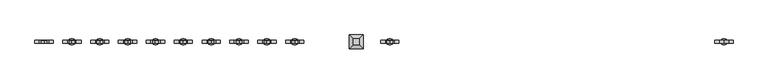
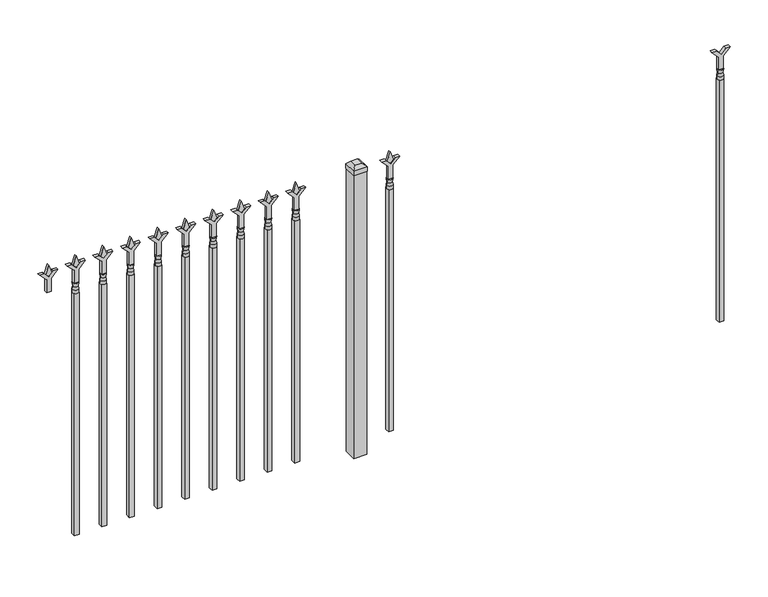
"""IFC4 building model written with IfcOpenShell, lengths in millimetres: railing geometry."""

import ifcopenshell
import ifcopenshell.guid

model = None  # the IFC model being written
_history = None  # IfcOwnerHistory: only IFC2X3 demands one
_inside = {}  # id of a spatial element -> (the spatial element, [elements in it])
_under = {}  # id of a project, library or spatial element -> (it, [spatial elements below it])
_declared = {}  # id of a project -> (the project, [libraries it declares])
_typed = {}  # id of a type object -> (the type object, [elements of that type])
_made_of = {}  # id of a material, layer set ... -> (it, [elements and type objects made of it])


def new_model(schema):
    """Start an empty IFC model of exactly this schema.

    Asked for "IFC4X3", IfcOpenShell would pick the latest addendum, in which some entities
    have other attributes; the version numbers below select the first issue.
    IFC2X3 requires an IfcOwnerHistory on every rooted entity: one is made here for all.
    """
    global model, _history
    if schema == "IFC4X3":
        model = ifcopenshell.file(schema_version=(4, 3, 0, 0))
    else:
        model = ifcopenshell.file(schema=schema)
    _inside.clear()
    _under.clear()
    _declared.clear()
    _typed.clear()
    _made_of.clear()
    _history = None
    if model.schema == "IFC2X3":
        org = make("IfcOrganization", Name="unknown")
        user = make(
            "IfcPersonAndOrganization",
            ThePerson=make("IfcPerson", FamilyName="unknown"),
            TheOrganization=org,
        )
        app = make(
            "IfcApplication",
            ApplicationDeveloper=org,
            Version="unknown",
            ApplicationFullName="unknown",
            ApplicationIdentifier="unknown",
        )
        _history = make(
            "IfcOwnerHistory",
            OwningUser=user,
            OwningApplication=app,
            ChangeAction="ADDED",
            CreationDate=0,
        )
    return model


def make(cls, **values):
    """One entity of the class cls with the attributes given. An attribute that is None is left unset."""
    return model.create_entity(
        cls, **{name: value for name, value in values.items() if value is not None}
    )


def rooted(cls, **values):
    """An entity with a GlobalId (a new one), such as an element, a storey or a relation."""
    return make(cls, GlobalId=ifcopenshell.guid.new(), OwnerHistory=_history, **values)


def si_unit(unit_type, name, prefix=None):
    """IfcSIUnit, for example si_unit("LENGTHUNIT", "METRE", prefix="MILLI")."""
    return make("IfcSIUnit", UnitType=unit_type, Prefix=prefix, Name=name)


def assignment(units):
    """IfcUnitAssignment: the units of a project."""
    return None if units is None else make("IfcUnitAssignment", Units=units)


def point(xyz):
    """IfcCartesianPoint."""
    return None if xyz is None else make("IfcCartesianPoint", Coordinates=xyz)


def direction(xyz):
    """IfcDirection."""
    return None if xyz is None else make("IfcDirection", DirectionRatios=xyz)


def frame(location, z_axis=None, x_axis=None):
    """IfcAxis2Placement3D, a coordinate frame: its origin and axes. An axis left out is left unset."""
    return make(
        "IfcAxis2Placement3D",
        Location=point(location),
        Axis=direction(z_axis),
        RefDirection=direction(x_axis),
    )


def origin():
    """The frame at (0, 0, 0) with its axes left unset."""
    return frame((0.0, 0.0, 0.0))


def origin_with_axes():
    """The frame at (0, 0, 0) with the z axis (0, 0, 1) and the x axis (1, 0, 0) written out."""
    return frame((0.0, 0.0, 0.0), z_axis=(0.0, 0.0, 1.0), x_axis=(1.0, 0.0, 0.0))


def place(relative_to, where):
    """IfcLocalPlacement: puts the frame where relative to a parent placement (None: the world)."""
    return make(
        "IfcLocalPlacement", PlacementRelTo=relative_to, RelativePlacement=where
    )


def context(
    kind, dimensions, precision=None, world=None, true_north=None, identifier=None
):
    """IfcGeometricRepresentationContext, for example the 3D "Model" context."""
    return make(
        "IfcGeometricRepresentationContext",
        ContextIdentifier=identifier,
        ContextType=kind,
        CoordinateSpaceDimension=dimensions,
        Precision=precision,
        WorldCoordinateSystem=world,
        TrueNorth=true_north,
    )


def project(units=None, contexts=None):
    """IfcProject with its units and contexts."""
    return rooted(
        "IfcProject",
        Name="project",
        RepresentationContexts=contexts,
        UnitsInContext=assignment(units),
    )


def spatial(cls, under=None, at=None, **own):
    """A site, building, storey or space (cls), placed at a placement, below another one or the project."""
    s = rooted(cls, ObjectPlacement=at, **own)
    if under is not None:
        _under.setdefault(under.id(), (under, []))[1].append(s)
    return s


def polyline(points):
    """IfcPolyline through the points."""
    return make("IfcPolyline", Points=[point(p) for p in points])


def circle_curve(where, radius):
    """IfcCircle in the frame where."""
    return make("IfcCircle", Position=where, Radius=radius)


def outline(outer, holes=None, kind="AREA"):
    """IfcArbitraryClosedProfileDef: a profile drawn as a closed curve; with holes, ...WithVoids."""
    if holes is None:
        return make("IfcArbitraryClosedProfileDef", ProfileType=kind, OuterCurve=outer)
    return make(
        "IfcArbitraryProfileDefWithVoids",
        ProfileType=kind,
        OuterCurve=outer,
        InnerCurves=holes,
    )


def extrude(swept, where, along, depth):
    """IfcExtrudedAreaSolid: the profile swept, set in the frame where, extruded along a direction by depth."""
    return make(
        "IfcExtrudedAreaSolid",
        SweptArea=swept,
        Position=where,
        ExtrudedDirection=direction(along),
        Depth=depth,
    )


def faces_of(points, faces, orient=None, outer=None):
    """IfcFace entities. A face is a list of loops; a loop is a list of indices into points, from 0.

    orient and outer hold one flag for each loop. By default every Orientation is true, the
    first loop of a face is its IfcFaceOuterBound and the others are IfcFaceBound.
    """
    made = []
    for i, loops in enumerate(faces):
        bounds = []
        for j, loop in enumerate(loops):
            is_outer = j == 0 if outer is None else outer[i][j]
            bounds.append(
                make(
                    "IfcFaceOuterBound" if is_outer else "IfcFaceBound",
                    Bound=make("IfcPolyLoop", Polygon=[points[k] for k in loop]),
                    Orientation=True if orient is None else orient[i][j],
                )
            )
        made.append(make("IfcFace", Bounds=bounds))
    return made


def faceted_brep(points, faces, orient=None, outer=None, voids=None):
    """IfcFacetedBrep: a solid bounded by flat faces; with voids (closed shells), ...WithVoids."""
    shared = [point(p) for p in points]
    hull = make("IfcClosedShell", CfsFaces=faces_of(shared, faces, orient, outer))
    if voids is None:
        return make("IfcFacetedBrep", Outer=hull)
    return make(
        "IfcFacetedBrepWithVoids",
        Outer=hull,
        Voids=[
            make(cls, CfsFaces=faces_of(shared, fs, o, b)) for cls, fs, o, b in voids
        ],
    )


def shape(context_of_items, identifier, shape_type, items):
    """IfcShapeRepresentation: the items that make up one representation, for example the "Body"."""
    return make(
        "IfcShapeRepresentation",
        ContextOfItems=context_of_items,
        RepresentationIdentifier=identifier,
        RepresentationType=shape_type,
        Items=items,
    )


def source(mapping_origin, context_of_items, identifier, shape_type, items):
    """IfcRepresentationMap: a shape defined once, which mapped items show again and again."""
    return make(
        "IfcRepresentationMap",
        MappingOrigin=mapping_origin,
        MappedRepresentation=shape(context_of_items, identifier, shape_type, items),
    )


def transform(
    local_origin,
    x_axis=None,
    y_axis=None,
    z_axis=None,
    scale=None,
    scale2=None,
    scale3=None,
    uniform=True,
):
    """IfcCartesianTransformationOperator3D, or its non-uniform kind. x_axis, y_axis, z_axis: its Axis1, 2, 3."""
    if uniform:
        return make(
            "IfcCartesianTransformationOperator3D",
            Axis1=direction(x_axis),
            Axis2=direction(y_axis),
            LocalOrigin=point(local_origin),
            Scale=scale,
            Axis3=direction(z_axis),
        )
    return make(
        "IfcCartesianTransformationOperator3DnonUniform",
        Axis1=direction(x_axis),
        Axis2=direction(y_axis),
        LocalOrigin=point(local_origin),
        Scale=scale,
        Axis3=direction(z_axis),
        Scale2=scale2,
        Scale3=scale3,
    )


def mapped(mapping_source, mapping_target):
    """IfcMappedItem: shows the shape of a source again, moved by a transform."""
    return make(
        "IfcMappedItem", MappingSource=mapping_source, MappingTarget=mapping_target
    )


def made_of(thing, what):
    """Note that an element or type object is made of a material, layer set ...; save() writes the relation."""
    if what is not None:
        _made_of.setdefault(what.id(), (what, []))[1].append(thing)
    return thing


def element(
    cls,
    number,
    at=None,
    inside=None,
    cuts=None,
    type_object=None,
    material=None,
    context=None,
    identifier="Body",
    shape_type=None,
    held_by="IfcProductDefinitionShape",
    body=None,
    shapes=None,
    **own,
):
    """One element of the class cls, such as IfcWall. Its Tag is "e" and its number.

    at: its placement. inside: the storey or other place that contains it. cuts: it is an
    opening in that element (IfcRelVoidsElement). A single representation is given by context,
    identifier, shape_type and body (its items); several are given by shapes. held_by: the class
    of the entity that holds the representations. save() writes the other relations.
    """
    e = rooted(cls, Tag="e%d" % number, ObjectPlacement=at, **own)
    if body is not None:
        shapes = [shape(context, identifier, shape_type, body)]
    if shapes is not None:
        e.Representation = make(held_by, Representations=shapes)
    if inside is not None:
        _inside.setdefault(inside.id(), (inside, []))[1].append(e)
    if cuts is not None:
        rooted(
            "IfcRelVoidsElement", RelatingBuildingElement=cuts, RelatedOpeningElement=e
        )
    if type_object is not None:
        _typed.setdefault(type_object.id(), (type_object, []))[1].append(e)
    return made_of(e, material)


def aggregate(whole, parts):
    """IfcRelAggregates: a whole, such as a stair, and the parts it consists of."""
    return rooted("IfcRelAggregates", RelatingObject=whole, RelatedObjects=parts)


def save(model, path):
    """Write the relations noted so far, then the file.

    IfcRelAggregates (storeys below a building ...), IfcRelContainedInSpatialStructure (elements
    in a storey), IfcRelDefinesByType, IfcRelAssociatesMaterial and IfcRelDeclares: one each for
    every whole, place, type object, material and project.
    """
    for whole, parts in _under.values():
        aggregate(whole, parts)
    for where, things in _inside.values():
        rooted(
            "IfcRelContainedInSpatialStructure",
            RelatedElements=things,
            RelatingStructure=where,
        )
    for kind, things in _typed.values():
        rooted("IfcRelDefinesByType", RelatedObjects=things, RelatingType=kind)
    for what, things in _made_of.values():
        rooted("IfcRelAssociatesMaterial", RelatedObjects=things, RelatingMaterial=what)
    for by, libraries in _declared.values():
        rooted("IfcRelDeclares", RelatingContext=by, RelatedDefinitions=libraries)
    model.write(path)


def plane_surface(at):
    """IfcPlane: the flat surface through the origin of the frame at, square to its z axis."""
    return make("IfcPlane", Position=at)


def cylinder_surface(at, radius):
    """IfcCylindricalSurface: all points at the distance radius from the z axis of the frame at."""
    return make("IfcCylindricalSurface", Position=at, Radius=radius)


def revolved_surface(curve, axis_point, axis_direction):
    """IfcSurfaceOfRevolution: the curve turned about the line through axis_point along axis_direction."""
    return make(
        "IfcSurfaceOfRevolution",
        SweptCurve=make("IfcArbitraryOpenProfileDef", ProfileType="CURVE", Curve=curve),
        AxisPosition=make("IfcAxis1Placement", Location=point(axis_point), Axis=direction(axis_direction)),
    )


def advanced_brep(points, edges, surfaces, faces):
    """IfcAdvancedBrep: a solid bounded by faces that lie on surfaces and meet in shared edges.

    An edge is (start, end): straight between two places in points (the first is 0);
    or (start, end, curve); or (start, end, curve, False) where it runs against its curve.
    A face is (place in surfaces, loops), or (place, loops, False) where it looks against
    its surface's normal. A loop lists edges by number (the first is 1), with a minus sign
    where the edge is run from its end to its start. The first loop is the outer one.
    """
    corners = [point(p) for p in points]
    vertices = [make("IfcVertexPoint", VertexGeometry=c) for c in corners]
    made = []
    for start, end, *more in edges:
        made.append(
            make(
                "IfcEdgeCurve",
                EdgeStart=vertices[start],
                EdgeEnd=vertices[end],
                EdgeGeometry=more[0] if more else make("IfcPolyline", Points=[corners[start], corners[end]]),
                SameSense=more[1] if len(more) > 1 else True,
            )
        )
    hull = []
    for where, loops, *sense in faces:
        bounds = []
        for j, loop in enumerate(loops):
            ring = [make("IfcOrientedEdge", EdgeElement=made[abs(k) - 1], Orientation=k > 0) for k in loop]
            bounds.append(
                make(
                    "IfcFaceOuterBound" if j == 0 else "IfcFaceBound",
                    Bound=make("IfcEdgeLoop", EdgeList=ring),
                    Orientation=True,
                )
            )
        hull.append(make("IfcAdvancedFace", Bounds=bounds, FaceSurface=surfaces[where], SameSense=sense[0] if sense else True))
    return make("IfcAdvancedBrep", Outer=make("IfcClosedShell", CfsFaces=hull))


def railing_e918dfe1(model_context):
    return source(origin(), model_context, "Body", "SolidModel", [
        extrude(outline(polyline([(1108.075, -76606.749337), (1162.3457378, -76606.749337), (1189.5355122, -76579.5595625), (1189.5355122, -76597.5200747), (1171.575, -76615.480587), (1189.5355122, -76633.4410992), (1189.5355122, -76651.4016114), (1162.3457378, -76624.211837), (1108.075, -76624.211837), (1108.075, -76606.749337)])), frame((0.0, -9176.0070174, 0.0), z_axis=(0.0, 1.0, 0.0), x_axis=(0.0, 0.0, 1.0)), (0.0, 0.0, 1.0), 12.7),
        advanced_brep(
        [(-76603.574337, -9169.6570174, 1079.5), (-76627.386837, -9169.6570174, 1079.5), (-76627.386837, -9169.6570174, 1066.8), (-76603.574337, -9169.6570174, 1066.8), (-76605.7796688, -9169.6570174, 1092.0070585), (-76625.1815051, -9169.6570174, 1092.0070585), (-76603.574337, -9169.6570174, 1108.075), (-76627.386837, -9169.6570174, 1108.075), (-76615.480587, -9169.6570174, 1108.075), (-76615.480587, -9169.6570174, 1066.8)],
        [
            (0, 1, circle_curve(frame((-76615.480587, -9169.6570174, 1079.5), z_axis=(0.0, 0.0, -1.0), x_axis=(-1.0, 0.0, 0.0)), 11.90625)),
            (1, 2),
            (2, 3, circle_curve(frame((-76615.480587, -9169.6570174, 1066.8), z_axis=(0.0, 0.0, 1.0), x_axis=(-1.0, 0.0, 0.0)), 11.90625)),
            (3, 0),
            (1, 0, circle_curve(frame((-76615.480587, -9169.6570174, 1079.5), z_axis=(0.0, 0.0, -1.0), x_axis=(-1.0, 0.0, 0.0)), 11.90625)),
            (3, 2, circle_curve(frame((-76615.480587, -9169.6570174, 1066.8), z_axis=(0.0, 0.0, 1.0), x_axis=(-1.0, 0.0, 0.0)), 11.90625)),
            (4, 5, circle_curve(frame((-76615.480587, -9169.6570174, 1092.0070585), z_axis=(0.0, 0.0, -1.0), x_axis=(-1.0, 0.0, 0.0)), 9.7009181)),
            (5, 1),
            (0, 4),
            (5, 4, circle_curve(frame((-76615.480587, -9169.6570174, 1092.0070585), z_axis=(0.0, 0.0, -1.0), x_axis=(-1.0, 0.0, 0.0)), 9.7009181)),
            (6, 7, circle_curve(frame((-76615.480587, -9169.6570174, 1108.075), z_axis=(0.0, 0.0, -1.0), x_axis=(-1.0, 0.0, 0.0)), 11.90625)),
            (7, 5),
            (4, 6),
            (7, 6, circle_curve(frame((-76615.480587, -9169.6570174, 1108.075), z_axis=(0.0, 0.0, -1.0), x_axis=(-1.0, 0.0, 0.0)), 11.90625)),
            (8, 7),
            (6, 8),
            (2, 9),
            (9, 3),
        ],
        [
            cylinder_surface(frame((-76615.480587, -9169.6570174, 1066.8), z_axis=(0.0, 0.0, 1.0), x_axis=(-1.0, 0.0, 0.0)), 11.90625),
            revolved_surface(polyline([(-76627.386837, -9169.6570174, 1079.5), (-76625.1815051, -9169.6570174, 1092.0070585)]), (-76615.480587, -9169.6570174, 1066.8), (0.0, 0.0, 1.0)),
            revolved_surface(polyline([(-76625.1815051, -9169.6570174, 1092.0070585), (-76627.386837, -9169.6570174, 1108.075)]), (-76615.480587, -9169.6570174, 1066.8), (0.0, 0.0, 1.0)),
            plane_surface(frame((-76615.480587, -9169.6570174, 1108.075), z_axis=(0.0, 0.0, 1.0), x_axis=(-1.0, 0.0, 0.0))),
            plane_surface(frame((-76615.480587, -9169.6570174, 1066.8), z_axis=(0.0, 0.0, -1.0), x_axis=(-1.0, 0.0, 0.0))),
        ],
        [
            (0, [[1, 2, 3, 4]]),
            (0, [[5, -4, 6, -2]]),
            (1, [[7, 8, -1, 9]]),
            (1, [[10, -9, -5, -8]]),
            (2, [[11, 12, -7, 13]]),
            (2, [[14, -13, -10, -12]]),
            (3, [[15, -11, 16]]),
            (3, [[-16, -14, -15]]),
            (4, [[-3, 17, 18]]),
            (4, [[-6, -18, -17]]),
        ],
    ),
        extrude(outline(polyline([(-76625.005587, -9160.1320174), (-76605.955587, -9160.1320174), (-76605.955587, -9179.1820174), (-76625.005587, -9179.1820174), (-76625.005587, -9160.1320174)])), frame((0.0, 0.0, 50.8), z_axis=(0.0, 0.0, 1.0), x_axis=(1.0, 0.0, 0.0)), (0.0, 0.0, 1.0), 1016.0),
        extrude(outline(polyline([(1183.48125, -77914.849337), (1219.2, -77926.755587), (1183.48125, -77938.661837), (1171.575, -77926.755587), (1183.48125, -77914.849337)])), frame((0.0, -9174.4195174, 0.0), z_axis=(0.0, 1.0, 0.0), x_axis=(0.0, 0.0, 1.0)), (0.0, 0.0, 1.0), 9.525),
        extrude(outline(polyline([(1108.075, -77918.024337), (1162.3457378, -77918.024337), (1189.5355122, -77890.8345625), (1189.5355122, -77908.7950747), (1171.575, -77926.755587), (1189.5355122, -77944.7160992), (1189.5355122, -77962.6766114), (1162.3457378, -77935.486837), (1108.075, -77935.486837), (1108.075, -77918.024337)])), frame((0.0, -9176.0070174, 0.0), z_axis=(0.0, 1.0, 0.0), x_axis=(0.0, 0.0, 1.0)), (0.0, 0.0, 1.0), 12.7),
        advanced_brep(
        [(-77914.849337, -9169.6570174, 1079.5), (-77938.661837, -9169.6570174, 1079.5), (-77938.661837, -9169.6570174, 1066.8), (-77914.849337, -9169.6570174, 1066.8), (-77917.0546688, -9169.6570174, 1092.0070585), (-77936.4565051, -9169.6570174, 1092.0070585), (-77914.849337, -9169.6570174, 1108.075), (-77938.661837, -9169.6570174, 1108.075), (-77926.755587, -9169.6570174, 1108.075), (-77926.755587, -9169.6570174, 1066.8)],
        [
            (0, 1, circle_curve(frame((-77926.755587, -9169.6570174, 1079.5), z_axis=(0.0, 0.0, -1.0), x_axis=(-1.0, 0.0, 0.0)), 11.90625)),
            (1, 2),
            (2, 3, circle_curve(frame((-77926.755587, -9169.6570174, 1066.8), z_axis=(0.0, 0.0, 1.0), x_axis=(-1.0, 0.0, 0.0)), 11.90625)),
            (3, 0),
            (1, 0, circle_curve(frame((-77926.755587, -9169.6570174, 1079.5), z_axis=(0.0, 0.0, -1.0), x_axis=(-1.0, 0.0, 0.0)), 11.90625)),
            (3, 2, circle_curve(frame((-77926.755587, -9169.6570174, 1066.8), z_axis=(0.0, 0.0, 1.0), x_axis=(-1.0, 0.0, 0.0)), 11.90625)),
            (4, 5, circle_curve(frame((-77926.755587, -9169.6570174, 1092.0070585), z_axis=(0.0, 0.0, -1.0), x_axis=(-1.0, 0.0, 0.0)), 9.7009181)),
            (5, 1),
            (0, 4),
            (5, 4, circle_curve(frame((-77926.755587, -9169.6570174, 1092.0070585), z_axis=(0.0, 0.0, -1.0), x_axis=(-1.0, 0.0, 0.0)), 9.7009181)),
            (6, 7, circle_curve(frame((-77926.755587, -9169.6570174, 1108.075), z_axis=(0.0, 0.0, -1.0), x_axis=(-1.0, 0.0, 0.0)), 11.90625)),
            (7, 5),
            (4, 6),
            (7, 6, circle_curve(frame((-77926.755587, -9169.6570174, 1108.075), z_axis=(0.0, 0.0, -1.0), x_axis=(-1.0, 0.0, 0.0)), 11.90625)),
            (8, 7),
            (6, 8),
            (2, 9),
            (9, 3),
        ],
        [
            cylinder_surface(frame((-77926.755587, -9169.6570174, 1066.8), z_axis=(0.0, 0.0, 1.0), x_axis=(-1.0, 0.0, 0.0)), 11.90625),
            revolved_surface(polyline([(-77938.661837, -9169.6570174, 1079.5), (-77936.4565051, -9169.6570174, 1092.0070585)]), (-77926.755587, -9169.6570174, 1066.8), (0.0, 0.0, 1.0)),
            revolved_surface(polyline([(-77936.4565051, -9169.6570174, 1092.0070585), (-77938.661837, -9169.6570174, 1108.075)]), (-77926.755587, -9169.6570174, 1066.8), (0.0, 0.0, 1.0)),
            plane_surface(frame((-77926.755587, -9169.6570174, 1108.075), z_axis=(0.0, 0.0, 1.0), x_axis=(-1.0, 0.0, 0.0))),
            plane_surface(frame((-77926.755587, -9169.6570174, 1066.8), z_axis=(0.0, 0.0, -1.0), x_axis=(-1.0, 0.0, 0.0))),
        ],
        [
            (0, [[1, 2, 3, 4]]),
            (0, [[5, -4, 6, -2]]),
            (1, [[7, 8, -1, 9]]),
            (1, [[10, -9, -5, -8]]),
            (2, [[11, 12, -7, 13]]),
            (2, [[14, -13, -10, -12]]),
            (3, [[15, -11, 16]]),
            (3, [[-16, -14, -15]]),
            (4, [[-3, 17, 18]]),
            (4, [[-6, -18, -17]]),
        ],
    ),
        extrude(outline(polyline([(-77936.280587, -9160.1320174), (-77917.230587, -9160.1320174), (-77917.230587, -9179.1820174), (-77936.280587, -9179.1820174), (-77936.280587, -9160.1320174)])), frame((0.0, 0.0, 50.8), z_axis=(0.0, 0.0, 1.0), x_axis=(1.0, 0.0, 0.0)), (0.0, 0.0, 1.0), 1016.0),
        extrude(outline(polyline([(-78033.118087, -9144.2570174), (-78033.118087, -9195.0570174), (-78083.918087, -9195.0570174), (-78083.918087, -9144.2570174), (-78033.118087, -9144.2570174)])), origin_with_axes(), (0.0, 0.0, 1.0), 1187.45),
        faceted_brep([(-78085.505587, -9142.6695174, 1206.5), (-78085.505587, -9142.6695174, 1187.45), (-78085.505587, -9196.6445174, 1187.45), (-78085.505587, -9196.6445174, 1206.5), (-78072.805587, -9155.3695174, 1219.2), (-78072.805587, -9183.9445174, 1219.2), (-78031.530587, -9196.6445174, 1187.45), (-78031.530587, -9196.6445174, 1206.5), (-78044.230587, -9183.9445174, 1219.2), (-78031.530587, -9142.6695174, 1187.45), (-78031.530587, -9142.6695174, 1206.5), (-78044.230587, -9155.3695174, 1219.2)], [[[0, 1, 2, 3]], [[4, 0, 3, 5]], [[3, 2, 6, 7]], [[5, 3, 7, 8]], [[7, 6, 9, 10]], [[8, 7, 10, 11]], [[10, 9, 1, 0]], [[11, 10, 0, 4]], [[5, 8, 11, 4]], [[1, 9, 6, 2]]]),
        extrude(outline(polyline([(1183.48125, -78287.6472536), (1219.2, -78299.5535036), (1183.48125, -78311.4597536), (1171.575, -78299.5535036), (1183.48125, -78287.6472536)])), frame((0.0, -9174.4195174, 0.0), z_axis=(0.0, 1.0, 0.0), x_axis=(0.0, 0.0, 1.0)), (0.0, 0.0, 1.0), 9.525),
        extrude(outline(polyline([(1108.075, -78290.8222536), (1162.3457378, -78290.8222536), (1189.5355122, -78263.6324791), (1189.5355122, -78281.5929914), (1171.575, -78299.5535036), (1189.5355122, -78317.5140159), (1189.5355122, -78335.4745281), (1162.3457378, -78308.2847536), (1108.075, -78308.2847536), (1108.075, -78290.8222536)])), frame((0.0, -9176.0070174, 0.0), z_axis=(0.0, 1.0, 0.0), x_axis=(0.0, 0.0, 1.0)), (0.0, 0.0, 1.0), 12.7),
        advanced_brep(
        [(-78287.6472536, -9169.6570174, 1079.5), (-78311.4597536, -9169.6570174, 1079.5), (-78311.4597536, -9169.6570174, 1066.8), (-78287.6472536, -9169.6570174, 1066.8), (-78289.8525855, -9169.6570174, 1092.0070585), (-78309.2544218, -9169.6570174, 1092.0070585), (-78287.6472536, -9169.6570174, 1108.075), (-78311.4597536, -9169.6570174, 1108.075), (-78299.5535036, -9169.6570174, 1108.075), (-78299.5535036, -9169.6570174, 1066.8)],
        [
            (0, 1, circle_curve(frame((-78299.5535036, -9169.6570174, 1079.5), z_axis=(0.0, 0.0, -1.0), x_axis=(-1.0, 0.0, 0.0)), 11.90625)),
            (1, 2),
            (2, 3, circle_curve(frame((-78299.5535036, -9169.6570174, 1066.8), z_axis=(0.0, 0.0, 1.0), x_axis=(-1.0, 0.0, 0.0)), 11.90625)),
            (3, 0),
            (1, 0, circle_curve(frame((-78299.5535036, -9169.6570174, 1079.5), z_axis=(0.0, 0.0, -1.0), x_axis=(-1.0, 0.0, 0.0)), 11.90625)),
            (3, 2, circle_curve(frame((-78299.5535036, -9169.6570174, 1066.8), z_axis=(0.0, 0.0, 1.0), x_axis=(-1.0, 0.0, 0.0)), 11.90625)),
            (4, 5, circle_curve(frame((-78299.5535036, -9169.6570174, 1092.0070585), z_axis=(0.0, 0.0, -1.0), x_axis=(-1.0, 0.0, 0.0)), 9.7009181)),
            (5, 1),
            (0, 4),
            (5, 4, circle_curve(frame((-78299.5535036, -9169.6570174, 1092.0070585), z_axis=(0.0, 0.0, -1.0), x_axis=(-1.0, 0.0, 0.0)), 9.7009181)),
            (6, 7, circle_curve(frame((-78299.5535036, -9169.6570174, 1108.075), z_axis=(0.0, 0.0, -1.0), x_axis=(-1.0, 0.0, 0.0)), 11.90625)),
            (7, 5),
            (4, 6),
            (7, 6, circle_curve(frame((-78299.5535036, -9169.6570174, 1108.075), z_axis=(0.0, 0.0, -1.0), x_axis=(-1.0, 0.0, 0.0)), 11.90625)),
            (8, 7),
            (6, 8),
            (2, 9),
            (9, 3),
        ],
        [
            cylinder_surface(frame((-78299.5535036, -9169.6570174, 1066.8), z_axis=(0.0, 0.0, 1.0), x_axis=(-1.0, 0.0, 0.0)), 11.90625),
            revolved_surface(polyline([(-78311.4597536, -9169.6570174, 1079.5), (-78309.2544218, -9169.6570174, 1092.0070585)]), (-78299.5535036, -9169.6570174, 1066.8), (0.0, 0.0, 1.0)),
            revolved_surface(polyline([(-78309.2544218, -9169.6570174, 1092.0070585), (-78311.4597536, -9169.6570174, 1108.075)]), (-78299.5535036, -9169.6570174, 1066.8), (0.0, 0.0, 1.0)),
            plane_surface(frame((-78299.5535036, -9169.6570174, 1108.075), z_axis=(0.0, 0.0, 1.0), x_axis=(-1.0, 0.0, 0.0))),
            plane_surface(frame((-78299.5535036, -9169.6570174, 1066.8), z_axis=(0.0, 0.0, -1.0), x_axis=(-1.0, 0.0, 0.0))),
        ],
        [
            (0, [[1, 2, 3, 4]]),
            (0, [[5, -4, 6, -2]]),
            (1, [[7, 8, -1, 9]]),
            (1, [[10, -9, -5, -8]]),
            (2, [[11, 12, -7, 13]]),
            (2, [[14, -13, -10, -12]]),
            (3, [[15, -11, 16]]),
            (3, [[-16, -14, -15]]),
            (4, [[-3, 17, 18]]),
            (4, [[-6, -18, -17]]),
        ],
    ),
        extrude(outline(polyline([(-78309.0785036, -9160.1320174), (-78290.0285036, -9160.1320174), (-78290.0285036, -9179.1820174), (-78309.0785036, -9179.1820174), (-78309.0785036, -9160.1320174)])), frame((0.0, 0.0, 50.8), z_axis=(0.0, 0.0, 1.0), x_axis=(1.0, 0.0, 0.0)), (0.0, 0.0, 1.0), 1016.0),
        extrude(outline(polyline([(1183.48125, -78396.9201703), (1219.2, -78408.8264203), (1183.48125, -78420.7326703), (1171.575, -78408.8264203), (1183.48125, -78396.9201703)])), frame((0.0, -9174.4195174, 0.0), z_axis=(0.0, 1.0, 0.0), x_axis=(0.0, 0.0, 1.0)), (0.0, 0.0, 1.0), 9.525),
        extrude(outline(polyline([(1108.075, -78400.0951703), (1162.3457378, -78400.0951703), (1189.5355122, -78372.9053958), (1189.5355122, -78390.8659081), (1171.575, -78408.8264203), (1189.5355122, -78426.7869325), (1189.5355122, -78444.7474448), (1162.3457378, -78417.5576703), (1108.075, -78417.5576703), (1108.075, -78400.0951703)])), frame((0.0, -9176.0070174, 0.0), z_axis=(0.0, 1.0, 0.0), x_axis=(0.0, 0.0, 1.0)), (0.0, 0.0, 1.0), 12.7),
        advanced_brep(
        [(-78396.9201703, -9169.6570174, 1079.5), (-78420.7326703, -9169.6570174, 1079.5), (-78420.7326703, -9169.6570174, 1066.8), (-78396.9201703, -9169.6570174, 1066.8), (-78399.1255022, -9169.6570174, 1092.0070585), (-78418.5273384, -9169.6570174, 1092.0070585), (-78396.9201703, -9169.6570174, 1108.075), (-78420.7326703, -9169.6570174, 1108.075), (-78408.8264203, -9169.6570174, 1108.075), (-78408.8264203, -9169.6570174, 1066.8)],
        [
            (0, 1, circle_curve(frame((-78408.8264203, -9169.6570174, 1079.5), z_axis=(0.0, 0.0, -1.0), x_axis=(-1.0, 0.0, 0.0)), 11.90625)),
            (1, 2),
            (2, 3, circle_curve(frame((-78408.8264203, -9169.6570174, 1066.8), z_axis=(0.0, 0.0, 1.0), x_axis=(-1.0, 0.0, 0.0)), 11.90625)),
            (3, 0),
            (1, 0, circle_curve(frame((-78408.8264203, -9169.6570174, 1079.5), z_axis=(0.0, 0.0, -1.0), x_axis=(-1.0, 0.0, 0.0)), 11.90625)),
            (3, 2, circle_curve(frame((-78408.8264203, -9169.6570174, 1066.8), z_axis=(0.0, 0.0, 1.0), x_axis=(-1.0, 0.0, 0.0)), 11.90625)),
            (4, 5, circle_curve(frame((-78408.8264203, -9169.6570174, 1092.0070585), z_axis=(0.0, 0.0, -1.0), x_axis=(-1.0, 0.0, 0.0)), 9.7009181)),
            (5, 1),
            (0, 4),
            (5, 4, circle_curve(frame((-78408.8264203, -9169.6570174, 1092.0070585), z_axis=(0.0, 0.0, -1.0), x_axis=(-1.0, 0.0, 0.0)), 9.7009181)),
            (6, 7, circle_curve(frame((-78408.8264203, -9169.6570174, 1108.075), z_axis=(0.0, 0.0, -1.0), x_axis=(-1.0, 0.0, 0.0)), 11.90625)),
            (7, 5),
            (4, 6),
            (7, 6, circle_curve(frame((-78408.8264203, -9169.6570174, 1108.075), z_axis=(0.0, 0.0, -1.0), x_axis=(-1.0, 0.0, 0.0)), 11.90625)),
            (8, 7),
            (6, 8),
            (2, 9),
            (9, 3),
        ],
        [
            cylinder_surface(frame((-78408.8264203, -9169.6570174, 1066.8), z_axis=(0.0, 0.0, 1.0), x_axis=(-1.0, 0.0, 0.0)), 11.90625),
            revolved_surface(polyline([(-78420.7326703, -9169.6570174, 1079.5), (-78418.5273384, -9169.6570174, 1092.0070585)]), (-78408.8264203, -9169.6570174, 1066.8), (0.0, 0.0, 1.0)),
            revolved_surface(polyline([(-78418.5273384, -9169.6570174, 1092.0070585), (-78420.7326703, -9169.6570174, 1108.075)]), (-78408.8264203, -9169.6570174, 1066.8), (0.0, 0.0, 1.0)),
            plane_surface(frame((-78408.8264203, -9169.6570174, 1108.075), z_axis=(0.0, 0.0, 1.0), x_axis=(-1.0, 0.0, 0.0))),
            plane_surface(frame((-78408.8264203, -9169.6570174, 1066.8), z_axis=(0.0, 0.0, -1.0), x_axis=(-1.0, 0.0, 0.0))),
        ],
        [
            (0, [[1, 2, 3, 4]]),
            (0, [[5, -4, 6, -2]]),
            (1, [[7, 8, -1, 9]]),
            (1, [[10, -9, -5, -8]]),
            (2, [[11, 12, -7, 13]]),
            (2, [[14, -13, -10, -12]]),
            (3, [[15, -11, 16]]),
            (3, [[-16, -14, -15]]),
            (4, [[-3, 17, 18]]),
            (4, [[-6, -18, -17]]),
        ],
    ),
        extrude(outline(polyline([(-78418.3514203, -9160.1320174), (-78399.3014203, -9160.1320174), (-78399.3014203, -9179.1820174), (-78418.3514203, -9179.1820174), (-78418.3514203, -9160.1320174)])), frame((0.0, 0.0, 50.8), z_axis=(0.0, 0.0, 1.0), x_axis=(1.0, 0.0, 0.0)), (0.0, 0.0, 1.0), 1016.0),
        extrude(outline(polyline([(1183.48125, -78506.193087), (1219.2, -78518.099337), (1183.48125, -78530.005587), (1171.575, -78518.099337), (1183.48125, -78506.193087)])), frame((0.0, -9174.4195174, 0.0), z_axis=(0.0, 1.0, 0.0), x_axis=(0.0, 0.0, 1.0)), (0.0, 0.0, 1.0), 9.525),
        extrude(outline(polyline([(1108.075, -78509.368087), (1162.3457378, -78509.368087), (1189.5355122, -78482.1783125), (1189.5355122, -78500.1388247), (1171.575, -78518.099337), (1189.5355122, -78536.0598492), (1189.5355122, -78554.0203614), (1162.3457378, -78526.830587), (1108.075, -78526.830587), (1108.075, -78509.368087)])), frame((0.0, -9176.0070174, 0.0), z_axis=(0.0, 1.0, 0.0), x_axis=(0.0, 0.0, 1.0)), (0.0, 0.0, 1.0), 12.7),
        advanced_brep(
        [(-78506.193087, -9169.6570174, 1079.5), (-78530.005587, -9169.6570174, 1079.5), (-78530.005587, -9169.6570174, 1066.8), (-78506.193087, -9169.6570174, 1066.8), (-78508.3984188, -9169.6570174, 1092.0070585), (-78527.8002551, -9169.6570174, 1092.0070585), (-78506.193087, -9169.6570174, 1108.075), (-78530.005587, -9169.6570174, 1108.075), (-78518.099337, -9169.6570174, 1108.075), (-78518.099337, -9169.6570174, 1066.8)],
        [
            (0, 1, circle_curve(frame((-78518.099337, -9169.6570174, 1079.5), z_axis=(0.0, 0.0, -1.0), x_axis=(-1.0, 0.0, 0.0)), 11.90625)),
            (1, 2),
            (2, 3, circle_curve(frame((-78518.099337, -9169.6570174, 1066.8), z_axis=(0.0, 0.0, 1.0), x_axis=(-1.0, 0.0, 0.0)), 11.90625)),
            (3, 0),
            (1, 0, circle_curve(frame((-78518.099337, -9169.6570174, 1079.5), z_axis=(0.0, 0.0, -1.0), x_axis=(-1.0, 0.0, 0.0)), 11.90625)),
            (3, 2, circle_curve(frame((-78518.099337, -9169.6570174, 1066.8), z_axis=(0.0, 0.0, 1.0), x_axis=(-1.0, 0.0, 0.0)), 11.90625)),
            (4, 5, circle_curve(frame((-78518.099337, -9169.6570174, 1092.0070585), z_axis=(0.0, 0.0, -1.0), x_axis=(-1.0, 0.0, 0.0)), 9.7009181)),
            (5, 1),
            (0, 4),
            (5, 4, circle_curve(frame((-78518.099337, -9169.6570174, 1092.0070585), z_axis=(0.0, 0.0, -1.0), x_axis=(-1.0, 0.0, 0.0)), 9.7009181)),
            (6, 7, circle_curve(frame((-78518.099337, -9169.6570174, 1108.075), z_axis=(0.0, 0.0, -1.0), x_axis=(-1.0, 0.0, 0.0)), 11.90625)),
            (7, 5),
            (4, 6),
            (7, 6, circle_curve(frame((-78518.099337, -9169.6570174, 1108.075), z_axis=(0.0, 0.0, -1.0), x_axis=(-1.0, 0.0, 0.0)), 11.90625)),
            (8, 7),
            (6, 8),
            (2, 9),
            (9, 3),
        ],
        [
            cylinder_surface(frame((-78518.099337, -9169.6570174, 1066.8), z_axis=(0.0, 0.0, 1.0), x_axis=(-1.0, 0.0, 0.0)), 11.90625),
            revolved_surface(polyline([(-78530.005587, -9169.6570174, 1079.5), (-78527.8002551, -9169.6570174, 1092.0070585)]), (-78518.099337, -9169.6570174, 1066.8), (0.0, 0.0, 1.0)),
            revolved_surface(polyline([(-78527.8002551, -9169.6570174, 1092.0070585), (-78530.005587, -9169.6570174, 1108.075)]), (-78518.099337, -9169.6570174, 1066.8), (0.0, 0.0, 1.0)),
            plane_surface(frame((-78518.099337, -9169.6570174, 1108.075), z_axis=(0.0, 0.0, 1.0), x_axis=(-1.0, 0.0, 0.0))),
            plane_surface(frame((-78518.099337, -9169.6570174, 1066.8), z_axis=(0.0, 0.0, -1.0), x_axis=(-1.0, 0.0, 0.0))),
        ],
        [
            (0, [[1, 2, 3, 4]]),
            (0, [[5, -4, 6, -2]]),
            (1, [[7, 8, -1, 9]]),
            (1, [[10, -9, -5, -8]]),
            (2, [[11, 12, -7, 13]]),
            (2, [[14, -13, -10, -12]]),
            (3, [[15, -11, 16]]),
            (3, [[-16, -14, -15]]),
            (4, [[-3, 17, 18]]),
            (4, [[-6, -18, -17]]),
        ],
    ),
        extrude(outline(polyline([(-78527.624337, -9160.1320174), (-78508.574337, -9160.1320174), (-78508.574337, -9179.1820174), (-78527.624337, -9179.1820174), (-78527.624337, -9160.1320174)])), frame((0.0, 0.0, 50.8), z_axis=(0.0, 0.0, 1.0), x_axis=(1.0, 0.0, 0.0)), (0.0, 0.0, 1.0), 1016.0),
        extrude(outline(polyline([(1183.48125, -78615.4660036), (1219.2, -78627.3722536), (1183.48125, -78639.2785036), (1171.575, -78627.3722536), (1183.48125, -78615.4660036)])), frame((0.0, -9174.4195174, 0.0), z_axis=(0.0, 1.0, 0.0), x_axis=(0.0, 0.0, 1.0)), (0.0, 0.0, 1.0), 9.525),
        extrude(outline(polyline([(1108.075, -78618.6410036), (1162.3457378, -78618.6410036), (1189.5355122, -78591.4512291), (1189.5355122, -78609.4117414), (1171.575, -78627.3722536), (1189.5355122, -78645.3327659), (1189.5355122, -78663.2932781), (1162.3457378, -78636.1035036), (1108.075, -78636.1035036), (1108.075, -78618.6410036)])), frame((0.0, -9176.0070174, 0.0), z_axis=(0.0, 1.0, 0.0), x_axis=(0.0, 0.0, 1.0)), (0.0, 0.0, 1.0), 12.7),
        advanced_brep(
        [(-78615.4660036, -9169.6570174, 1079.5), (-78639.2785036, -9169.6570174, 1079.5), (-78639.2785036, -9169.6570174, 1066.8), (-78615.4660036, -9169.6570174, 1066.8), (-78617.6713355, -9169.6570174, 1092.0070585), (-78637.0731718, -9169.6570174, 1092.0070585), (-78615.4660036, -9169.6570174, 1108.075), (-78639.2785036, -9169.6570174, 1108.075), (-78627.3722536, -9169.6570174, 1108.075), (-78627.3722536, -9169.6570174, 1066.8)],
        [
            (0, 1, circle_curve(frame((-78627.3722536, -9169.6570174, 1079.5), z_axis=(0.0, 0.0, -1.0), x_axis=(-1.0, 0.0, 0.0)), 11.90625)),
            (1, 2),
            (2, 3, circle_curve(frame((-78627.3722536, -9169.6570174, 1066.8), z_axis=(0.0, 0.0, 1.0), x_axis=(-1.0, 0.0, 0.0)), 11.90625)),
            (3, 0),
            (1, 0, circle_curve(frame((-78627.3722536, -9169.6570174, 1079.5), z_axis=(0.0, 0.0, -1.0), x_axis=(-1.0, 0.0, 0.0)), 11.90625)),
            (3, 2, circle_curve(frame((-78627.3722536, -9169.6570174, 1066.8), z_axis=(0.0, 0.0, 1.0), x_axis=(-1.0, 0.0, 0.0)), 11.90625)),
            (4, 5, circle_curve(frame((-78627.3722536, -9169.6570174, 1092.0070585), z_axis=(0.0, 0.0, -1.0), x_axis=(-1.0, 0.0, 0.0)), 9.7009181)),
            (5, 1),
            (0, 4),
            (5, 4, circle_curve(frame((-78627.3722536, -9169.6570174, 1092.0070585), z_axis=(0.0, 0.0, -1.0), x_axis=(-1.0, 0.0, 0.0)), 9.7009181)),
            (6, 7, circle_curve(frame((-78627.3722536, -9169.6570174, 1108.075), z_axis=(0.0, 0.0, -1.0), x_axis=(-1.0, 0.0, 0.0)), 11.90625)),
            (7, 5),
            (4, 6),
            (7, 6, circle_curve(frame((-78627.3722536, -9169.6570174, 1108.075), z_axis=(0.0, 0.0, -1.0), x_axis=(-1.0, 0.0, 0.0)), 11.90625)),
            (8, 7),
            (6, 8),
            (2, 9),
            (9, 3),
        ],
        [
            cylinder_surface(frame((-78627.3722536, -9169.6570174, 1066.8), z_axis=(0.0, 0.0, 1.0), x_axis=(-1.0, 0.0, 0.0)), 11.90625),
            revolved_surface(polyline([(-78639.2785036, -9169.6570174, 1079.5), (-78637.0731718, -9169.6570174, 1092.0070585)]), (-78627.3722536, -9169.6570174, 1066.8), (0.0, 0.0, 1.0)),
            revolved_surface(polyline([(-78637.0731718, -9169.6570174, 1092.0070585), (-78639.2785036, -9169.6570174, 1108.075)]), (-78627.3722536, -9169.6570174, 1066.8), (0.0, 0.0, 1.0)),
            plane_surface(frame((-78627.3722536, -9169.6570174, 1108.075), z_axis=(0.0, 0.0, 1.0), x_axis=(-1.0, 0.0, 0.0))),
            plane_surface(frame((-78627.3722536, -9169.6570174, 1066.8), z_axis=(0.0, 0.0, -1.0), x_axis=(-1.0, 0.0, 0.0))),
        ],
        [
            (0, [[1, 2, 3, 4]]),
            (0, [[5, -4, 6, -2]]),
            (1, [[7, 8, -1, 9]]),
            (1, [[10, -9, -5, -8]]),
            (2, [[11, 12, -7, 13]]),
            (2, [[14, -13, -10, -12]]),
            (3, [[15, -11, 16]]),
            (3, [[-16, -14, -15]]),
            (4, [[-3, 17, 18]]),
            (4, [[-6, -18, -17]]),
        ],
    ),
        extrude(outline(polyline([(-78636.8972536, -9160.1320174), (-78617.8472536, -9160.1320174), (-78617.8472536, -9179.1820174), (-78636.8972536, -9179.1820174), (-78636.8972536, -9160.1320174)])), frame((0.0, 0.0, 50.8), z_axis=(0.0, 0.0, 1.0), x_axis=(1.0, 0.0, 0.0)), (0.0, 0.0, 1.0), 1016.0),
        extrude(outline(polyline([(1183.48125, -78724.7389203), (1219.2, -78736.6451703), (1183.48125, -78748.5514203), (1171.575, -78736.6451703), (1183.48125, -78724.7389203)])), frame((0.0, -9174.4195174, 0.0), z_axis=(0.0, 1.0, 0.0), x_axis=(0.0, 0.0, 1.0)), (0.0, 0.0, 1.0), 9.525),
        extrude(outline(polyline([(1108.075, -78727.9139203), (1162.3457378, -78727.9139203), (1189.5355122, -78700.7241458), (1189.5355122, -78718.6846581), (1171.575, -78736.6451703), (1189.5355122, -78754.6056825), (1189.5355122, -78772.5661948), (1162.3457378, -78745.3764203), (1108.075, -78745.3764203), (1108.075, -78727.9139203)])), frame((0.0, -9176.0070174, 0.0), z_axis=(0.0, 1.0, 0.0), x_axis=(0.0, 0.0, 1.0)), (0.0, 0.0, 1.0), 12.7),
        advanced_brep(
        [(-78724.7389203, -9169.6570174, 1079.5), (-78748.5514203, -9169.6570174, 1079.5), (-78748.5514203, -9169.6570174, 1066.8), (-78724.7389203, -9169.6570174, 1066.8), (-78726.9442522, -9169.6570174, 1092.0070585), (-78746.3460884, -9169.6570174, 1092.0070585), (-78724.7389203, -9169.6570174, 1108.075), (-78748.5514203, -9169.6570174, 1108.075), (-78736.6451703, -9169.6570174, 1108.075), (-78736.6451703, -9169.6570174, 1066.8)],
        [
            (0, 1, circle_curve(frame((-78736.6451703, -9169.6570174, 1079.5), z_axis=(0.0, 0.0, -1.0), x_axis=(-1.0, 0.0, 0.0)), 11.90625)),
            (1, 2),
            (2, 3, circle_curve(frame((-78736.6451703, -9169.6570174, 1066.8), z_axis=(0.0, 0.0, 1.0), x_axis=(-1.0, 0.0, 0.0)), 11.90625)),
            (3, 0),
            (1, 0, circle_curve(frame((-78736.6451703, -9169.6570174, 1079.5), z_axis=(0.0, 0.0, -1.0), x_axis=(-1.0, 0.0, 0.0)), 11.90625)),
            (3, 2, circle_curve(frame((-78736.6451703, -9169.6570174, 1066.8), z_axis=(0.0, 0.0, 1.0), x_axis=(-1.0, 0.0, 0.0)), 11.90625)),
            (4, 5, circle_curve(frame((-78736.6451703, -9169.6570174, 1092.0070585), z_axis=(0.0, 0.0, -1.0), x_axis=(-1.0, 0.0, 0.0)), 9.7009181)),
            (5, 1),
            (0, 4),
            (5, 4, circle_curve(frame((-78736.6451703, -9169.6570174, 1092.0070585), z_axis=(0.0, 0.0, -1.0), x_axis=(-1.0, 0.0, 0.0)), 9.7009181)),
            (6, 7, circle_curve(frame((-78736.6451703, -9169.6570174, 1108.075), z_axis=(0.0, 0.0, -1.0), x_axis=(-1.0, 0.0, 0.0)), 11.90625)),
            (7, 5),
            (4, 6),
            (7, 6, circle_curve(frame((-78736.6451703, -9169.6570174, 1108.075), z_axis=(0.0, 0.0, -1.0), x_axis=(-1.0, 0.0, 0.0)), 11.90625)),
            (8, 7),
            (6, 8),
            (2, 9),
            (9, 3),
        ],
        [
            cylinder_surface(frame((-78736.6451703, -9169.6570174, 1066.8), z_axis=(0.0, 0.0, 1.0), x_axis=(-1.0, 0.0, 0.0)), 11.90625),
            revolved_surface(polyline([(-78748.5514203, -9169.6570174, 1079.5), (-78746.3460884, -9169.6570174, 1092.0070585)]), (-78736.6451703, -9169.6570174, 1066.8), (0.0, 0.0, 1.0)),
            revolved_surface(polyline([(-78746.3460884, -9169.6570174, 1092.0070585), (-78748.5514203, -9169.6570174, 1108.075)]), (-78736.6451703, -9169.6570174, 1066.8), (0.0, 0.0, 1.0)),
            plane_surface(frame((-78736.6451703, -9169.6570174, 1108.075), z_axis=(0.0, 0.0, 1.0), x_axis=(-1.0, 0.0, 0.0))),
            plane_surface(frame((-78736.6451703, -9169.6570174, 1066.8), z_axis=(0.0, 0.0, -1.0), x_axis=(-1.0, 0.0, 0.0))),
        ],
        [
            (0, [[1, 2, 3, 4]]),
            (0, [[5, -4, 6, -2]]),
            (1, [[7, 8, -1, 9]]),
            (1, [[10, -9, -5, -8]]),
            (2, [[11, 12, -7, 13]]),
            (2, [[14, -13, -10, -12]]),
            (3, [[15, -11, 16]]),
            (3, [[-16, -14, -15]]),
            (4, [[-3, 17, 18]]),
            (4, [[-6, -18, -17]]),
        ],
    ),
        extrude(outline(polyline([(-78746.1701703, -9160.1320174), (-78727.1201703, -9160.1320174), (-78727.1201703, -9179.1820174), (-78746.1701703, -9179.1820174), (-78746.1701703, -9160.1320174)])), frame((0.0, 0.0, 50.8), z_axis=(0.0, 0.0, 1.0), x_axis=(1.0, 0.0, 0.0)), (0.0, 0.0, 1.0), 1016.0),
        extrude(outline(polyline([(1183.48125, -78834.011837), (1219.2, -78845.918087), (1183.48125, -78857.824337), (1171.575, -78845.918087), (1183.48125, -78834.011837)])), frame((0.0, -9174.4195174, 0.0), z_axis=(0.0, 1.0, 0.0), x_axis=(0.0, 0.0, 1.0)), (0.0, 0.0, 1.0), 9.525),
        extrude(outline(polyline([(1108.075, -78837.186837), (1162.3457378, -78837.186837), (1189.5355122, -78809.9970625), (1189.5355122, -78827.9575747), (1171.575, -78845.918087), (1189.5355122, -78863.8785992), (1189.5355122, -78881.8391114), (1162.3457378, -78854.649337), (1108.075, -78854.649337), (1108.075, -78837.186837)])), frame((0.0, -9176.0070174, 0.0), z_axis=(0.0, 1.0, 0.0), x_axis=(0.0, 0.0, 1.0)), (0.0, 0.0, 1.0), 12.7),
        advanced_brep(
        [(-78834.011837, -9169.6570174, 1079.5), (-78857.824337, -9169.6570174, 1079.5), (-78857.824337, -9169.6570174, 1066.8), (-78834.011837, -9169.6570174, 1066.8), (-78836.2171688, -9169.6570174, 1092.0070585), (-78855.6190051, -9169.6570174, 1092.0070585), (-78834.011837, -9169.6570174, 1108.075), (-78857.824337, -9169.6570174, 1108.075), (-78845.918087, -9169.6570174, 1108.075), (-78845.918087, -9169.6570174, 1066.8)],
        [
            (0, 1, circle_curve(frame((-78845.918087, -9169.6570174, 1079.5), z_axis=(0.0, 0.0, -1.0), x_axis=(-1.0, 0.0, 0.0)), 11.90625)),
            (1, 2),
            (2, 3, circle_curve(frame((-78845.918087, -9169.6570174, 1066.8), z_axis=(0.0, 0.0, 1.0), x_axis=(-1.0, 0.0, 0.0)), 11.90625)),
            (3, 0),
            (1, 0, circle_curve(frame((-78845.918087, -9169.6570174, 1079.5), z_axis=(0.0, 0.0, -1.0), x_axis=(-1.0, 0.0, 0.0)), 11.90625)),
            (3, 2, circle_curve(frame((-78845.918087, -9169.6570174, 1066.8), z_axis=(0.0, 0.0, 1.0), x_axis=(-1.0, 0.0, 0.0)), 11.90625)),
            (4, 5, circle_curve(frame((-78845.918087, -9169.6570174, 1092.0070585), z_axis=(0.0, 0.0, -1.0), x_axis=(-1.0, 0.0, 0.0)), 9.7009181)),
            (5, 1),
            (0, 4),
            (5, 4, circle_curve(frame((-78845.918087, -9169.6570174, 1092.0070585), z_axis=(0.0, 0.0, -1.0), x_axis=(-1.0, 0.0, 0.0)), 9.7009181)),
            (6, 7, circle_curve(frame((-78845.918087, -9169.6570174, 1108.075), z_axis=(0.0, 0.0, -1.0), x_axis=(-1.0, 0.0, 0.0)), 11.90625)),
            (7, 5),
            (4, 6),
            (7, 6, circle_curve(frame((-78845.918087, -9169.6570174, 1108.075), z_axis=(0.0, 0.0, -1.0), x_axis=(-1.0, 0.0, 0.0)), 11.90625)),
            (8, 7),
            (6, 8),
            (2, 9),
            (9, 3),
        ],
        [
            cylinder_surface(frame((-78845.918087, -9169.6570174, 1066.8), z_axis=(0.0, 0.0, 1.0), x_axis=(-1.0, 0.0, 0.0)), 11.90625),
            revolved_surface(polyline([(-78857.824337, -9169.6570174, 1079.5), (-78855.6190051, -9169.6570174, 1092.0070585)]), (-78845.918087, -9169.6570174, 1066.8), (0.0, 0.0, 1.0)),
            revolved_surface(polyline([(-78855.6190051, -9169.6570174, 1092.0070585), (-78857.824337, -9169.6570174, 1108.075)]), (-78845.918087, -9169.6570174, 1066.8), (0.0, 0.0, 1.0)),
            plane_surface(frame((-78845.918087, -9169.6570174, 1108.075), z_axis=(0.0, 0.0, 1.0), x_axis=(-1.0, 0.0, 0.0))),
            plane_surface(frame((-78845.918087, -9169.6570174, 1066.8), z_axis=(0.0, 0.0, -1.0), x_axis=(-1.0, 0.0, 0.0))),
        ],
        [
            (0, [[1, 2, 3, 4]]),
            (0, [[5, -4, 6, -2]]),
            (1, [[7, 8, -1, 9]]),
            (1, [[10, -9, -5, -8]]),
            (2, [[11, 12, -7, 13]]),
            (2, [[14, -13, -10, -12]]),
            (3, [[15, -11, 16]]),
            (3, [[-16, -14, -15]]),
            (4, [[-3, 17, 18]]),
            (4, [[-6, -18, -17]]),
        ],
    ),
        extrude(outline(polyline([(-78855.443087, -9160.1320174), (-78836.393087, -9160.1320174), (-78836.393087, -9179.1820174), (-78855.443087, -9179.1820174), (-78855.443087, -9160.1320174)])), frame((0.0, 0.0, 50.8), z_axis=(0.0, 0.0, 1.0), x_axis=(1.0, 0.0, 0.0)), (0.0, 0.0, 1.0), 1016.0),
        extrude(outline(polyline([(1183.48125, -78943.2847536), (1219.2, -78955.1910036), (1183.48125, -78967.0972536), (1171.575, -78955.1910036), (1183.48125, -78943.2847536)])), frame((0.0, -9174.4195174, 0.0), z_axis=(0.0, 1.0, 0.0), x_axis=(0.0, 0.0, 1.0)), (0.0, 0.0, 1.0), 9.525),
        extrude(outline(polyline([(1108.075, -78946.4597536), (1162.3457378, -78946.4597536), (1189.5355122, -78919.2699791), (1189.5355122, -78937.2304914), (1171.575, -78955.1910036), (1189.5355122, -78973.1515159), (1189.5355122, -78991.1120281), (1162.3457378, -78963.9222536), (1108.075, -78963.9222536), (1108.075, -78946.4597536)])), frame((0.0, -9176.0070174, 0.0), z_axis=(0.0, 1.0, 0.0), x_axis=(0.0, 0.0, 1.0)), (0.0, 0.0, 1.0), 12.7),
        advanced_brep(
        [(-78943.2847536, -9169.6570174, 1079.5), (-78967.0972536, -9169.6570174, 1079.5), (-78967.0972536, -9169.6570174, 1066.8), (-78943.2847536, -9169.6570174, 1066.8), (-78945.4900855, -9169.6570174, 1092.0070585), (-78964.8919218, -9169.6570174, 1092.0070585), (-78943.2847536, -9169.6570174, 1108.075), (-78967.0972536, -9169.6570174, 1108.075), (-78955.1910036, -9169.6570174, 1108.075), (-78955.1910036, -9169.6570174, 1066.8)],
        [
            (0, 1, circle_curve(frame((-78955.1910036, -9169.6570174, 1079.5), z_axis=(0.0, 0.0, -1.0), x_axis=(-1.0, 0.0, 0.0)), 11.90625)),
            (1, 2),
            (2, 3, circle_curve(frame((-78955.1910036, -9169.6570174, 1066.8), z_axis=(0.0, 0.0, 1.0), x_axis=(-1.0, 0.0, 0.0)), 11.90625)),
            (3, 0),
            (1, 0, circle_curve(frame((-78955.1910036, -9169.6570174, 1079.5), z_axis=(0.0, 0.0, -1.0), x_axis=(-1.0, 0.0, 0.0)), 11.90625)),
            (3, 2, circle_curve(frame((-78955.1910036, -9169.6570174, 1066.8), z_axis=(0.0, 0.0, 1.0), x_axis=(-1.0, 0.0, 0.0)), 11.90625)),
            (4, 5, circle_curve(frame((-78955.1910036, -9169.6570174, 1092.0070585), z_axis=(0.0, 0.0, -1.0), x_axis=(-1.0, 0.0, 0.0)), 9.7009181)),
            (5, 1),
            (0, 4),
            (5, 4, circle_curve(frame((-78955.1910036, -9169.6570174, 1092.0070585), z_axis=(0.0, 0.0, -1.0), x_axis=(-1.0, 0.0, 0.0)), 9.7009181)),
            (6, 7, circle_curve(frame((-78955.1910036, -9169.6570174, 1108.075), z_axis=(0.0, 0.0, -1.0), x_axis=(-1.0, 0.0, 0.0)), 11.90625)),
            (7, 5),
            (4, 6),
            (7, 6, circle_curve(frame((-78955.1910036, -9169.6570174, 1108.075), z_axis=(0.0, 0.0, -1.0), x_axis=(-1.0, 0.0, 0.0)), 11.90625)),
            (8, 7),
            (6, 8),
            (2, 9),
            (9, 3),
        ],
        [
            cylinder_surface(frame((-78955.1910036, -9169.6570174, 1066.8), z_axis=(0.0, 0.0, 1.0), x_axis=(-1.0, 0.0, 0.0)), 11.90625),
            revolved_surface(polyline([(-78967.0972536, -9169.6570174, 1079.5), (-78964.8919218, -9169.6570174, 1092.0070585)]), (-78955.1910036, -9169.6570174, 1066.8), (0.0, 0.0, 1.0)),
            revolved_surface(polyline([(-78964.8919218, -9169.6570174, 1092.0070585), (-78967.0972536, -9169.6570174, 1108.075)]), (-78955.1910036, -9169.6570174, 1066.8), (0.0, 0.0, 1.0)),
            plane_surface(frame((-78955.1910036, -9169.6570174, 1108.075), z_axis=(0.0, 0.0, 1.0), x_axis=(-1.0, 0.0, 0.0))),
            plane_surface(frame((-78955.1910036, -9169.6570174, 1066.8), z_axis=(0.0, 0.0, -1.0), x_axis=(-1.0, 0.0, 0.0))),
        ],
        [
            (0, [[1, 2, 3, 4]]),
            (0, [[5, -4, 6, -2]]),
            (1, [[7, 8, -1, 9]]),
            (1, [[10, -9, -5, -8]]),
            (2, [[11, 12, -7, 13]]),
            (2, [[14, -13, -10, -12]]),
            (3, [[15, -11, 16]]),
            (3, [[-16, -14, -15]]),
            (4, [[-3, 17, 18]]),
            (4, [[-6, -18, -17]]),
        ],
    ),
        extrude(outline(polyline([(-78964.7160036, -9160.1320174), (-78945.6660036, -9160.1320174), (-78945.6660036, -9179.1820174), (-78964.7160036, -9179.1820174), (-78964.7160036, -9160.1320174)])), frame((0.0, 0.0, 50.8), z_axis=(0.0, 0.0, 1.0), x_axis=(1.0, 0.0, 0.0)), (0.0, 0.0, 1.0), 1016.0),
        extrude(outline(polyline([(1183.48125, -79052.5576703), (1219.2, -79064.4639203), (1183.48125, -79076.3701703), (1171.575, -79064.4639203), (1183.48125, -79052.5576703)])), frame((0.0, -9174.4195174, 0.0), z_axis=(0.0, 1.0, 0.0), x_axis=(0.0, 0.0, 1.0)), (0.0, 0.0, 1.0), 9.525),
        extrude(outline(polyline([(1108.075, -79055.7326703), (1162.3457378, -79055.7326703), (1189.5355122, -79028.5428958), (1189.5355122, -79046.5034081), (1171.575, -79064.4639203), (1189.5355122, -79082.4244325), (1189.5355122, -79100.3849448), (1162.3457378, -79073.1951703), (1108.075, -79073.1951703), (1108.075, -79055.7326703)])), frame((0.0, -9176.0070174, 0.0), z_axis=(0.0, 1.0, 0.0), x_axis=(0.0, 0.0, 1.0)), (0.0, 0.0, 1.0), 12.7),
        advanced_brep(
        [(-79052.5576703, -9169.6570174, 1079.5), (-79076.3701703, -9169.6570174, 1079.5), (-79076.3701703, -9169.6570174, 1066.8), (-79052.5576703, -9169.6570174, 1066.8), (-79054.7630022, -9169.6570174, 1092.0070585), (-79074.1648384, -9169.6570174, 1092.0070585), (-79052.5576703, -9169.6570174, 1108.075), (-79076.3701703, -9169.6570174, 1108.075), (-79064.4639203, -9169.6570174, 1108.075), (-79064.4639203, -9169.6570174, 1066.8)],
        [
            (0, 1, circle_curve(frame((-79064.4639203, -9169.6570174, 1079.5), z_axis=(0.0, 0.0, -1.0), x_axis=(-1.0, 0.0, 0.0)), 11.90625)),
            (1, 2),
            (2, 3, circle_curve(frame((-79064.4639203, -9169.6570174, 1066.8), z_axis=(0.0, 0.0, 1.0), x_axis=(-1.0, 0.0, 0.0)), 11.90625)),
            (3, 0),
            (1, 0, circle_curve(frame((-79064.4639203, -9169.6570174, 1079.5), z_axis=(0.0, 0.0, -1.0), x_axis=(-1.0, 0.0, 0.0)), 11.90625)),
            (3, 2, circle_curve(frame((-79064.4639203, -9169.6570174, 1066.8), z_axis=(0.0, 0.0, 1.0), x_axis=(-1.0, 0.0, 0.0)), 11.90625)),
            (4, 5, circle_curve(frame((-79064.4639203, -9169.6570174, 1092.0070585), z_axis=(0.0, 0.0, -1.0), x_axis=(-1.0, 0.0, 0.0)), 9.7009181)),
            (5, 1),
            (0, 4),
            (5, 4, circle_curve(frame((-79064.4639203, -9169.6570174, 1092.0070585), z_axis=(0.0, 0.0, -1.0), x_axis=(-1.0, 0.0, 0.0)), 9.7009181)),
            (6, 7, circle_curve(frame((-79064.4639203, -9169.6570174, 1108.075), z_axis=(0.0, 0.0, -1.0), x_axis=(-1.0, 0.0, 0.0)), 11.90625)),
            (7, 5),
            (4, 6),
            (7, 6, circle_curve(frame((-79064.4639203, -9169.6570174, 1108.075), z_axis=(0.0, 0.0, -1.0), x_axis=(-1.0, 0.0, 0.0)), 11.90625)),
            (8, 7),
            (6, 8),
            (2, 9),
            (9, 3),
        ],
        [
            cylinder_surface(frame((-79064.4639203, -9169.6570174, 1066.8), z_axis=(0.0, 0.0, 1.0), x_axis=(-1.0, 0.0, 0.0)), 11.90625),
            revolved_surface(polyline([(-79076.3701703, -9169.6570174, 1079.5), (-79074.1648384, -9169.6570174, 1092.0070585)]), (-79064.4639203, -9169.6570174, 1066.8), (0.0, 0.0, 1.0)),
            revolved_surface(polyline([(-79074.1648384, -9169.6570174, 1092.0070585), (-79076.3701703, -9169.6570174, 1108.075)]), (-79064.4639203, -9169.6570174, 1066.8), (0.0, 0.0, 1.0)),
            plane_surface(frame((-79064.4639203, -9169.6570174, 1108.075), z_axis=(0.0, 0.0, 1.0), x_axis=(-1.0, 0.0, 0.0))),
            plane_surface(frame((-79064.4639203, -9169.6570174, 1066.8), z_axis=(0.0, 0.0, -1.0), x_axis=(-1.0, 0.0, 0.0))),
        ],
        [
            (0, [[1, 2, 3, 4]]),
            (0, [[5, -4, 6, -2]]),
            (1, [[7, 8, -1, 9]]),
            (1, [[10, -9, -5, -8]]),
            (2, [[11, 12, -7, 13]]),
            (2, [[14, -13, -10, -12]]),
            (3, [[15, -11, 16]]),
            (3, [[-16, -14, -15]]),
            (4, [[-3, 17, 18]]),
            (4, [[-6, -18, -17]]),
        ],
    ),
        extrude(outline(polyline([(-79073.9889203, -9160.1320174), (-79054.9389203, -9160.1320174), (-79054.9389203, -9179.1820174), (-79073.9889203, -9179.1820174), (-79073.9889203, -9160.1320174)])), frame((0.0, 0.0, 50.8), z_axis=(0.0, 0.0, 1.0), x_axis=(1.0, 0.0, 0.0)), (0.0, 0.0, 1.0), 1016.0),
        extrude(outline(polyline([(1183.48125, -79161.830587), (1219.2, -79173.736837), (1183.48125, -79185.643087), (1171.575, -79173.736837), (1183.48125, -79161.830587)])), frame((0.0, -9174.4195174, 0.0), z_axis=(0.0, 1.0, 0.0), x_axis=(0.0, 0.0, 1.0)), (0.0, 0.0, 1.0), 9.525),
        extrude(outline(polyline([(1108.075, -79165.005587), (1162.3457378, -79165.005587), (1189.5355122, -79137.8158125), (1189.5355122, -79155.7763247), (1171.575, -79173.736837), (1189.5355122, -79191.6973492), (1189.5355122, -79209.6578614), (1162.3457378, -79182.468087), (1108.075, -79182.468087), (1108.075, -79165.005587)])), frame((0.0, -9176.0070174, 0.0), z_axis=(0.0, 1.0, 0.0), x_axis=(0.0, 0.0, 1.0)), (0.0, 0.0, 1.0), 12.7),
        advanced_brep(
        [(-79161.830587, -9169.6570174, 1079.5), (-79185.643087, -9169.6570174, 1079.5), (-79185.643087, -9169.6570174, 1066.8), (-79161.830587, -9169.6570174, 1066.8), (-79164.0359188, -9169.6570174, 1092.0070585), (-79183.4377551, -9169.6570174, 1092.0070585), (-79161.830587, -9169.6570174, 1108.075), (-79185.643087, -9169.6570174, 1108.075), (-79173.736837, -9169.6570174, 1108.075), (-79173.736837, -9169.6570174, 1066.8)],
        [
            (0, 1, circle_curve(frame((-79173.736837, -9169.6570174, 1079.5), z_axis=(0.0, 0.0, -1.0), x_axis=(-1.0, 0.0, 0.0)), 11.90625)),
            (1, 2),
            (2, 3, circle_curve(frame((-79173.736837, -9169.6570174, 1066.8), z_axis=(0.0, 0.0, 1.0), x_axis=(-1.0, 0.0, 0.0)), 11.90625)),
            (3, 0),
            (1, 0, circle_curve(frame((-79173.736837, -9169.6570174, 1079.5), z_axis=(0.0, 0.0, -1.0), x_axis=(-1.0, 0.0, 0.0)), 11.90625)),
            (3, 2, circle_curve(frame((-79173.736837, -9169.6570174, 1066.8), z_axis=(0.0, 0.0, 1.0), x_axis=(-1.0, 0.0, 0.0)), 11.90625)),
            (4, 5, circle_curve(frame((-79173.736837, -9169.6570174, 1092.0070585), z_axis=(0.0, 0.0, -1.0), x_axis=(-1.0, 0.0, 0.0)), 9.7009181)),
            (5, 1),
            (0, 4),
            (5, 4, circle_curve(frame((-79173.736837, -9169.6570174, 1092.0070585), z_axis=(0.0, 0.0, -1.0), x_axis=(-1.0, 0.0, 0.0)), 9.7009181)),
            (6, 7, circle_curve(frame((-79173.736837, -9169.6570174, 1108.075), z_axis=(0.0, 0.0, -1.0), x_axis=(-1.0, 0.0, 0.0)), 11.90625)),
            (7, 5),
            (4, 6),
            (7, 6, circle_curve(frame((-79173.736837, -9169.6570174, 1108.075), z_axis=(0.0, 0.0, -1.0), x_axis=(-1.0, 0.0, 0.0)), 11.90625)),
            (8, 7),
            (6, 8),
            (2, 9),
            (9, 3),
        ],
        [
            cylinder_surface(frame((-79173.736837, -9169.6570174, 1066.8), z_axis=(0.0, 0.0, 1.0), x_axis=(-1.0, 0.0, 0.0)), 11.90625),
            revolved_surface(polyline([(-79185.643087, -9169.6570174, 1079.5), (-79183.4377551, -9169.6570174, 1092.0070585)]), (-79173.736837, -9169.6570174, 1066.8), (0.0, 0.0, 1.0)),
            revolved_surface(polyline([(-79183.4377551, -9169.6570174, 1092.0070585), (-79185.643087, -9169.6570174, 1108.075)]), (-79173.736837, -9169.6570174, 1066.8), (0.0, 0.0, 1.0)),
            plane_surface(frame((-79173.736837, -9169.6570174, 1108.075), z_axis=(0.0, 0.0, 1.0), x_axis=(-1.0, 0.0, 0.0))),
            plane_surface(frame((-79173.736837, -9169.6570174, 1066.8), z_axis=(0.0, 0.0, -1.0), x_axis=(-1.0, 0.0, 0.0))),
        ],
        [
            (0, [[1, 2, 3, 4]]),
            (0, [[5, -4, 6, -2]]),
            (1, [[7, 8, -1, 9]]),
            (1, [[10, -9, -5, -8]]),
            (2, [[11, 12, -7, 13]]),
            (2, [[14, -13, -10, -12]]),
            (3, [[15, -11, 16]]),
            (3, [[-16, -14, -15]]),
            (4, [[-3, 17, 18]]),
            (4, [[-6, -18, -17]]),
        ],
    ),
        extrude(outline(polyline([(-79183.261837, -9160.1320174), (-79164.211837, -9160.1320174), (-79164.211837, -9179.1820174), (-79183.261837, -9179.1820174), (-79183.261837, -9160.1320174)])), frame((0.0, 0.0, 50.8), z_axis=(0.0, 0.0, 1.0), x_axis=(1.0, 0.0, 0.0)), (0.0, 0.0, 1.0), 1016.0),
        extrude(outline(polyline([(1183.48125, -79271.1035036), (1219.2, -79283.0097536), (1183.48125, -79294.9160036), (1171.575, -79283.0097536), (1183.48125, -79271.1035036)])), frame((0.0, -9174.4195174, 0.0), z_axis=(0.0, 1.0, 0.0), x_axis=(0.0, 0.0, 1.0)), (0.0, 0.0, 1.0), 9.525),
        extrude(outline(polyline([(1108.075, -79274.2785036), (1162.3457378, -79274.2785036), (1189.5355122, -79247.0887291), (1189.5355122, -79265.0492414), (1171.575, -79283.0097536), (1189.5355122, -79300.9702659), (1189.5355122, -79318.9307781), (1162.3457378, -79291.7410036), (1108.075, -79291.7410036), (1108.075, -79274.2785036)])), frame((0.0, -9176.0070174, 0.0), z_axis=(0.0, 1.0, 0.0), x_axis=(0.0, 0.0, 1.0)), (0.0, 0.0, 1.0), 12.7),
    ])


if __name__ == "__main__":
    model = new_model("IFC4")
    model_context = context("Model", 3, world=origin())
    ifc_project = project(units=[si_unit("LENGTHUNIT", "METRE", prefix="MILLI")], contexts=[model_context])
    site = spatial("IfcSite", under=ifc_project)
    building = spatial("IfcBuilding", under=site)
    placement = place(None, origin())
    railing_shape = railing_e918dfe1(model_context)
    element("IfcRailing", 1, at=placement, inside=building, context=model_context, shape_type="MappedRepresentation", body=[
        mapped(railing_shape, transform((0.0, 0.0, 0.0), x_axis=(1.0, 0.0, 0.0), y_axis=(0.0, 1.0, 0.0), z_axis=(0.0, 0.0, 1.0))),
    ])
    save(model, "model.ifc")
